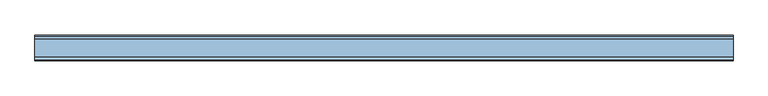
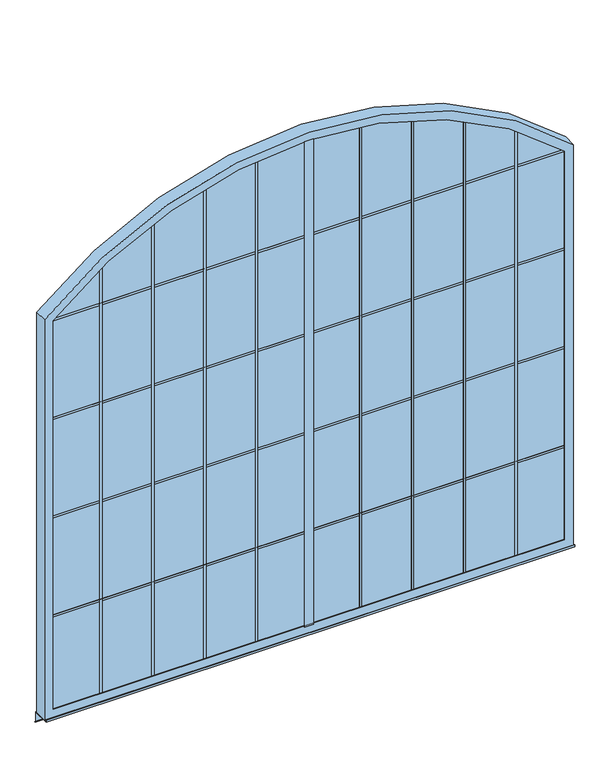
"""IFC4 building model written with IfcOpenShell, lengths in millimetres: window geometry."""

from ifc_helpers import new_model, si_unit, point, frame, frame_2d, origin, place, context, project, spatial, polyline, circle_curve, trimmed, segment, composite_curve, outline, extrude, faceted_brep, source, transform, mapped, element, save
from ifc_brep_helpers import plane_surface, cylinder_surface, revolved_surface, advanced_brep


def window_eef1c1a1(model_context):
    return source(origin(), model_context, "Body", "SolidModel", [
        extrude(outline(composite_curve([segment(polyline([(41.275, 1498.6), (41.275, 1549.4), (2997.0505831, 1549.4)]), True, "CONTINUOUS"), segment(trimmed(circle_curve(frame_2d((838.2, 1524.0)), 2159.0), [point((2997.0505831, 1549.4))], [point((2997.0505831, 1498.6))], False, "CARTESIAN"), True, "CONTINUOUS"), segment(polyline([(2997.0505831, 1498.6), (41.275, 1498.6)]), True, "CONTINUOUS")], self_intersect=False)), frame((0.0, -9.525, 0.0), z_axis=(0.0, 1.0, 0.0), x_axis=(0.0, 0.0, 1.0)), (0.0, 0.0, 1.0), 76.2),
        faceted_brep([(3025.775, 63.5, 15.875), (3013.075, 63.5, 15.875), (3013.075, 63.5, 2401.5095165), (3025.775, 63.5, 2401.6137931), (3013.075, -6.35, 15.875), (3025.775, -6.35, 15.875), (3025.775, -6.35, 2401.6137931), (3013.075, -6.35, 2401.6137931)], [[[0, 1, 2, 3]], [[4, 5, 6, 7]], [[1, 4, 7, 2]], [[5, 0, 3, 6]], [[1, 0, 5, 4]], [[3, 2, 7, 6]]]),
        extrude(outline(composite_curve([segment(polyline([(15.875, 2713.99), (15.875, 2726.69), (2631.1912894, 2726.69)]), True, "CONTINUOUS"), segment(trimmed(circle_curve(frame_2d((838.2, 1524.0)), 2159.0), [point((2631.1912894, 2726.69))], [point((2639.6451976, 2713.99))], False, "CARTESIAN"), True, "CONTINUOUS"), segment(polyline([(2639.6451976, 2713.99), (15.875, 2713.99)]), True, "CONTINUOUS")], self_intersect=False)), frame((0.0, -6.35, 0.0), z_axis=(0.0, 1.0, 0.0), x_axis=(0.0, 0.0, 1.0)), (0.0, 0.0, 1.0), 69.85),
        extrude(outline(composite_curve([segment(polyline([(15.875, 2414.905), (15.875, 2427.605), (2799.0108027, 2427.605)]), True, "CONTINUOUS"), segment(trimmed(circle_curve(frame_2d((838.2, 1524.0)), 2159.0), [point((2799.0108027, 2427.605))], [point((2804.8136583, 2414.905))], False, "CARTESIAN"), True, "CONTINUOUS"), segment(polyline([(2804.8136583, 2414.905), (15.875, 2414.905)]), True, "CONTINUOUS")], self_intersect=False)), frame((0.0, -6.35, 0.0), z_axis=(0.0, 1.0, 0.0), x_axis=(0.0, 0.0, 1.0)), (0.0, 0.0, 1.0), 69.85),
        extrude(outline(composite_curve([segment(polyline([(15.875, 2115.82), (15.875, 2128.52), (2910.84, 2128.52)]), True, "CONTINUOUS"), segment(trimmed(circle_curve(frame_2d((838.2, 1524.0)), 2159.0), [point((2910.84, 2128.52))], [point((2914.5020223, 2115.82))], False, "CARTESIAN"), True, "CONTINUOUS"), segment(polyline([(2914.5020223, 2115.82), (15.875, 2115.82)]), True, "CONTINUOUS")], self_intersect=False)), frame((0.0, -6.35, 0.0), z_axis=(0.0, 1.0, 0.0), x_axis=(0.0, 0.0, 1.0)), (0.0, 0.0, 1.0), 69.85),
        extrude(outline(composite_curve([segment(polyline([(15.875, 1816.735), (15.875, 1829.435), (2975.4857696, 1829.435)]), True, "CONTINUOUS"), segment(trimmed(circle_curve(frame_2d((838.2, 1524.0)), 2159.0), [point((2975.4857696, 1829.435))], [point((2977.2622291, 1816.735))], False, "CARTESIAN"), True, "CONTINUOUS"), segment(polyline([(2977.2622291, 1816.735), (15.875, 1816.735)]), True, "CONTINUOUS")], self_intersect=False)), frame((0.0, -6.35, 0.0), z_axis=(0.0, 1.0, 0.0), x_axis=(0.0, 0.0, 1.0)), (0.0, 0.0, 1.0), 69.85),
        extrude(outline(composite_curve([segment(polyline([(15.875, 1517.65), (15.875, 1530.35), (2997.1906617, 1530.35)]), True, "CONTINUOUS"), segment(trimmed(circle_curve(frame_2d((838.2, 1524.0)), 2159.0), [point((2997.1906617, 1530.35))], [point((2997.1906617, 1517.65))], False, "CARTESIAN"), True, "CONTINUOUS"), segment(polyline([(2997.1906617, 1517.65), (15.875, 1517.65)]), True, "CONTINUOUS")], self_intersect=False)), frame((0.0, -6.35, 0.0), z_axis=(0.0, 1.0, 0.0), x_axis=(0.0, 0.0, 1.0)), (0.0, 0.0, 1.0), 69.85),
        extrude(outline(polyline([(28.575, 63.5), (3019.425, 63.5), (3019.425, -6.35), (28.575, -6.35), (28.575, 63.5)])), frame((0.0, 0.0, 9.525), z_axis=(0.0, 0.0, 1.0), x_axis=(1.0, 0.0, 0.0)), (0.0, 0.0, 1.0), 12.7),
        extrude(outline(composite_curve([segment(polyline([(15.875, 1218.565), (15.875, 1231.265), (2977.2622291, 1231.265)]), True, "CONTINUOUS"), segment(trimmed(circle_curve(frame_2d((838.2, 1524.0)), 2159.0), [point((2977.2622291, 1231.265))], [point((2975.4857696, 1218.565))], False, "CARTESIAN"), True, "CONTINUOUS"), segment(polyline([(2975.4857696, 1218.565), (15.875, 1218.565)]), True, "CONTINUOUS")], self_intersect=False)), frame((0.0, -6.35, 0.0), z_axis=(0.0, 1.0, 0.0), x_axis=(0.0, 0.0, 1.0)), (0.0, 0.0, 1.0), 69.85),
        extrude(outline(composite_curve([segment(polyline([(15.875, 919.48), (15.875, 932.18), (2914.5020223, 932.18)]), True, "CONTINUOUS"), segment(trimmed(circle_curve(frame_2d((838.2, 1524.0)), 2159.0), [point((2914.5020223, 932.18))], [point((2910.84, 919.48))], False, "CARTESIAN"), True, "CONTINUOUS"), segment(polyline([(2910.84, 919.48), (15.875, 919.48)]), True, "CONTINUOUS")], self_intersect=False)), frame((0.0, -6.35, 0.0), z_axis=(0.0, 1.0, 0.0), x_axis=(0.0, 0.0, 1.0)), (0.0, 0.0, 1.0), 69.85),
        extrude(outline(composite_curve([segment(polyline([(15.875, 620.395), (15.875, 633.095), (2804.8136583, 633.095)]), True, "CONTINUOUS"), segment(trimmed(circle_curve(frame_2d((838.2, 1524.0)), 2159.0), [point((2804.8136583, 633.095))], [point((2799.0108027, 620.395))], False, "CARTESIAN"), True, "CONTINUOUS"), segment(polyline([(2799.0108027, 620.395), (15.875, 620.395)]), True, "CONTINUOUS")], self_intersect=False)), frame((0.0, -6.35, 0.0), z_axis=(0.0, 1.0, 0.0), x_axis=(0.0, 0.0, 1.0)), (0.0, 0.0, 1.0), 69.85),
        extrude(outline(composite_curve([segment(polyline([(15.875, 321.31), (15.875, 334.01), (2639.6451976, 334.01)]), True, "CONTINUOUS"), segment(trimmed(circle_curve(frame_2d((838.2, 1524.0)), 2159.0), [point((2639.6451976, 334.01))], [point((2631.1912894, 321.31))], False, "CARTESIAN"), True, "CONTINUOUS"), segment(polyline([(2631.1912894, 321.31), (15.875, 321.31)]), True, "CONTINUOUS")], self_intersect=False)), frame((0.0, -6.35, 0.0), z_axis=(0.0, 1.0, 0.0), x_axis=(0.0, 0.0, 1.0)), (0.0, 0.0, 1.0), 69.85),
        extrude(outline(polyline([(22.225, 63.5), (34.925, 63.5), (34.925, -6.35), (22.225, -6.35), (22.225, 63.5)])), frame((0.0, 0.0, 15.875), z_axis=(0.0, 0.0, 1.0), x_axis=(1.0, 0.0, 0.0)), (0.0, 0.0, 1.0), 2385.7387931),
        extrude(outline(polyline([(28.575, 63.5), (3019.425, 63.5), (3019.425, -6.35), (28.575, -6.35), (28.575, 63.5)])), frame((0.0, 0.0, 610.235), z_axis=(0.0, 0.0, 1.0), x_axis=(1.0, 0.0, 0.0)), (0.0, 0.0, 1.0), 12.7),
        extrude(outline(polyline([(28.575, 63.5), (3019.425, 63.5), (3019.425, -6.35), (28.575, -6.35), (28.575, 63.5)])), frame((0.0, 0.0, 1210.945), z_axis=(0.0, 0.0, 1.0), x_axis=(1.0, 0.0, 0.0)), (0.0, 0.0, 1.0), 12.7),
        extrude(outline(polyline([(28.575, 63.5), (3019.425, 63.5), (3019.425, -6.35), (28.575, -6.35), (28.575, 63.5)])), frame((0.0, 0.0, 1811.655), z_axis=(0.0, 0.0, 1.0), x_axis=(1.0, 0.0, 0.0)), (0.0, 0.0, 1.0), 12.7),
        extrude(outline(composite_curve([segment(polyline([(2425.065, 2987.9468815), (2425.065, 60.0531185)]), True, "CONTINUOUS"), segment(trimmed(circle_curve(frame_2d((838.2, 1524.0)), 2159.0), [point((2425.065, 60.0531185))], [point((2412.365, 46.4054843))], False, "CARTESIAN"), True, "CONTINUOUS"), segment(polyline([(2412.365, 46.4054843), (2412.365, 3001.5945157)]), True, "CONTINUOUS"), segment(trimmed(circle_curve(frame_2d((838.2, 1524.0)), 2159.0), [point((2412.365, 3001.5945157))], [point((2425.065, 2987.9468815))], False, "CARTESIAN"), True, "CONTINUOUS")], self_intersect=False)), frame((0.0, -6.35, 0.0), z_axis=(0.0, 1.0, 0.0), x_axis=(0.0, 0.0, 1.0)), (0.0, 0.0, 1.0), 69.85),
        advanced_brep(
        [(2997.2, 63.5, 50.8), (2997.2, 66.675, 50.8), (50.8, 66.675, 50.8), (50.8, 63.5, 50.8), (50.8, 66.675, 2416.4784165), (50.8, 63.5, 2416.4784165), (3044.825, -6.35, 3.175), (3044.825, 63.5, 3.175), (3.175, 63.5, 3.175), (3.175, -6.35, 3.175), (3.175, 63.5, 2437.0387067), (3.175, -6.35, 2437.0387067), (2997.2, -9.525, 50.8), (2997.2, -6.35, 50.8), (50.8, -6.35, 50.8), (50.8, -9.525, 50.8), (50.8, -6.35, 2416.4784165), (50.8, -9.525, 2416.4784165), (3048.0, 66.675, 0.0), (3048.0, -9.525, 0.0), (0.0, -9.525, 0.0), (0.0, 66.675, 0.0), (0.0, -9.525, 2438.4), (0.0, 66.675, 2438.4), (2997.2, 63.5, 2416.4784165), (2997.2, 66.675, 2416.4784165), (3044.825, -6.35, 2437.0387067), (3044.825, 63.5, 2437.0387067), (2997.2, -9.525, 2416.4784165), (2997.2, -6.35, 2416.4784165), (3048.0, 66.675, 2438.4), (3048.0, -9.525, 2438.4)],
        [
            (0, 1),
            (1, 2),
            (2, 3),
            (3, 0),
            (2, 4),
            (4, 5),
            (5, 3),
            (6, 7),
            (7, 8),
            (8, 9),
            (9, 6),
            (8, 10),
            (10, 11),
            (11, 9),
            (12, 13),
            (13, 14),
            (14, 15),
            (15, 12),
            (14, 16),
            (16, 17),
            (17, 15),
            (18, 19),
            (19, 20),
            (20, 21),
            (21, 18),
            (20, 22),
            (22, 23),
            (23, 21),
            (24, 25),
            (25, 1),
            (0, 24),
            (26, 27),
            (27, 7),
            (6, 26),
            (28, 29),
            (29, 13),
            (12, 28),
            (30, 31),
            (31, 19),
            (18, 30),
            (23, 30, circle_curve(frame((1524.0, 66.675, 838.2), z_axis=(0.0, 1.0, 0.0), x_axis=(-0.6896551724137959, 0.0, 0.7241379310344801)), 2209.8)),
            (25, 4, circle_curve(frame((1524.0, 66.675, 838.2), z_axis=(0.0, -1.0, 0.0), x_axis=(-0.6896551724137959, 0.0, 0.7241379310344801)), 2159.0)),
            (27, 10, circle_curve(frame((1524.0, 63.5, 838.2), z_axis=(0.0, -1.0, 0.0), x_axis=(-0.6896551724137959, 0.0, 0.7241379310344801)), 2206.625)),
            (5, 24, circle_curve(frame((1524.0, 63.5, 838.2), z_axis=(0.0, 1.0, 0.0), x_axis=(-0.6896551724137959, 0.0, 0.7241379310344801)), 2159.0)),
            (11, 26, circle_curve(frame((1524.0, -6.35, 838.2), z_axis=(0.0, 1.0, 0.0), x_axis=(-0.6896551724137959, 0.0, 0.7241379310344801)), 2206.625)),
            (29, 16, circle_curve(frame((1524.0, -6.35, 838.2), z_axis=(0.0, -1.0, 0.0), x_axis=(-0.6896551724137959, 0.0, 0.7241379310344801)), 2159.0)),
            (31, 22, circle_curve(frame((1524.0, -9.525, 838.2), z_axis=(0.0, -1.0, 0.0), x_axis=(-0.6896551724137959, 0.0, 0.7241379310344801)), 2209.8)),
            (17, 28, circle_curve(frame((1524.0, -9.525, 838.2), z_axis=(0.0, 1.0, 0.0), x_axis=(-0.6896551724137959, 0.0, 0.7241379310344801)), 2159.0)),
        ],
        [
            plane_surface(frame((2997.2, 66.675, 50.8), z_axis=(0.0, 0.0, 1.0), x_axis=(-1.0, 0.0, 0.0))),
            plane_surface(frame((50.8, 66.675, 50.8), z_axis=(1.0, 0.0, 0.0), x_axis=(0.0, 0.0, 1.0))),
            plane_surface(frame((3044.825, 63.5, 3.175), z_axis=(0.0, 0.0, 1.0), x_axis=(-1.0, 0.0, 0.0))),
            plane_surface(frame((3.175, 63.5, 3.175), z_axis=(1.0, 0.0, 0.0), x_axis=(0.0, 0.0, 1.0))),
            plane_surface(frame((2997.2, -6.35, 50.8), z_axis=(0.0, 0.0, 1.0), x_axis=(-1.0, 0.0, 0.0))),
            plane_surface(frame((50.8, -6.35, 50.8), z_axis=(1.0, 0.0, 0.0), x_axis=(0.0, 0.0, 1.0))),
            plane_surface(frame((3048.0, -9.525, 0.0), z_axis=(0.0, 0.0, -1.0), x_axis=(-1.0, 0.0, 0.0))),
            plane_surface(frame((0.0, -9.525, 0.0), z_axis=(-1.0, 0.0, 0.0), x_axis=(0.0, 0.0, 1.0))),
            plane_surface(frame((2997.2, 66.675, 2416.4784165), z_axis=(-1.0, 0.0, 0.0), x_axis=(0.0, 0.0, -1.0))),
            plane_surface(frame((3044.825, 63.5, 2437.0387067), z_axis=(-1.0, 0.0, 0.0), x_axis=(0.0, 0.0, -1.0))),
            plane_surface(frame((2997.2, -6.35, 2416.4784165), z_axis=(-1.0, 0.0, 0.0), x_axis=(0.0, 0.0, -1.0))),
            plane_surface(frame((3048.0, -9.525, 2438.4), z_axis=(1.0, 0.0, 0.0), x_axis=(0.0, 0.0, -1.0))),
            plane_surface(frame((1524.0, 66.675, 838.2), z_axis=(0.0, 1.0, 0.0), x_axis=(-0.6896551724137959, 0.0, 0.7241379310344801))),
            plane_surface(frame((1524.0, 63.5, 838.2), z_axis=(0.0, -1.0, 0.0), x_axis=(-0.6896551724137959, 0.0, 0.7241379310344801))),
            plane_surface(frame((1524.0, -6.35, 838.2), z_axis=(0.0, 1.0, 0.0), x_axis=(-0.6896551724137959, 0.0, 0.7241379310344801))),
            plane_surface(frame((1524.0, -9.525, 838.2), z_axis=(0.0, -1.0, 0.0), x_axis=(-0.6896551724137959, 0.0, 0.7241379310344801))),
            revolved_surface(polyline([(35.03448275861456, 66.675, 2401.6137931034427), (35.03448275861456, 63.49999999999999, 2401.6137931034427)]), (1524.0, -6.35, 838.2), (0.0, 1.0, 0.0)),
            revolved_surface(polyline([(2.1896551724075834, 63.49999999999999, 2436.10086206896), (2.1896551724075834, -6.35, 2436.10086206896)]), (1524.0, -6.35, 838.2), (0.0, 1.0, 0.0)),
            revolved_surface(polyline([(35.03448275861456, -6.35, 2401.6137931034427), (35.03448275861456, -9.525, 2401.6137931034427)]), (1524.0, -6.35, 838.2), (0.0, 1.0, 0.0)),
            cylinder_surface(frame((1524.0, -6.35, 838.2), z_axis=(0.0, 1.0, 0.0), x_axis=(-0.6896551724137959, 0.0, 0.7241379310344801)), 2209.8),
        ],
        [
            (0, [[1, 2, 3, 4]]),
            (1, [[-3, 5, 6, 7]]),
            (2, [[8, 9, 10, 11]]),
            (3, [[-10, 12, 13, 14]]),
            (4, [[15, 16, 17, 18]]),
            (5, [[-17, 19, 20, 21]]),
            (6, [[22, 23, 24, 25]]),
            (7, [[-24, 26, 27, 28]]),
            (8, [[29, 30, -1, 31]]),
            (9, [[32, 33, -8, 34]]),
            (10, [[35, 36, -15, 37]]),
            (11, [[38, 39, -22, 40]]),
            (12, [[-40, -25, -28, 41], [42, -5, -2, -30]]),
            (13, [[43, -12, -9, -33], [-31, -4, -7, 44]]),
            (14, [[-34, -11, -14, 45], [46, -19, -16, -36]]),
            (15, [[47, -26, -23, -39], [-37, -18, -21, 48]]),
            (16, [[-44, -6, -42, -29]]),
            (17, [[-45, -13, -43, -32]]),
            (18, [[-48, -20, -46, -35]]),
            (19, [[-41, -27, -47, -38]]),
        ],
    ),
        extrude(outline(composite_curve([segment(trimmed(circle_curve(frame_2d((838.2, 1524.0)), 2184.4178499), [point((2430.489362, 3019.425))], [point((2430.489362, 28.575))], False, "CARTESIAN"), True, "CONTINUOUS"), segment(polyline([(2430.489362, 28.575), (15.875, 28.575), (15.875, 3019.425), (2430.489362, 3019.425)]), True, "CONTINUOUS")], self_intersect=False)), frame((0.0, -6.35, 0.0), z_axis=(0.0, 1.0, 0.0), x_axis=(0.0, 0.0, 1.0)), (0.0, 0.0, 1.0), 69.85),
        extrude(outline(polyline([(86.3027881, -67.139968), (85.1802561, -68.2625), (76.2, -59.2822439), (76.2, -1.5875), (-25.4, -1.5875), (-25.4, 11.1125), (-23.8125, 11.1125), (-23.8125, 0.0), (77.7875, 0.0), (77.7875, -58.6246798), (86.3027881, -67.139968)])), frame((0.0, 0.0, 0.0), z_axis=(1.0, 0.0, 0.0), x_axis=(0.0, 1.0, 0.0)), (0.0, 0.0, 1.0), 3048.0),
    ])


if __name__ == "__main__":
    model = new_model("IFC4")
    model_context = context("Model", 3, world=origin())
    ifc_project = project(units=[si_unit("LENGTHUNIT", "METRE", prefix="MILLI")], contexts=[model_context])
    site = spatial("IfcSite", under=ifc_project)
    building = spatial("IfcBuilding", under=site)
    placement = place(None, origin())
    window_shape = window_eef1c1a1(model_context)
    element("IfcWindow", 1, at=placement, inside=building, context=model_context, shape_type="MappedRepresentation", body=[
        mapped(window_shape, transform((0.0, 0.0, 0.0), x_axis=(1.0, 0.0, 0.0), y_axis=(0.0, 1.0, 0.0), z_axis=(0.0, 0.0, 1.0))),
    ])
    save(model, "model.ifc")
